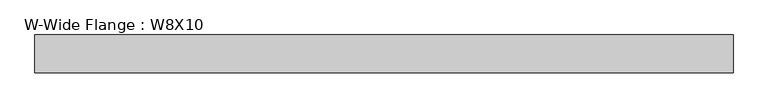
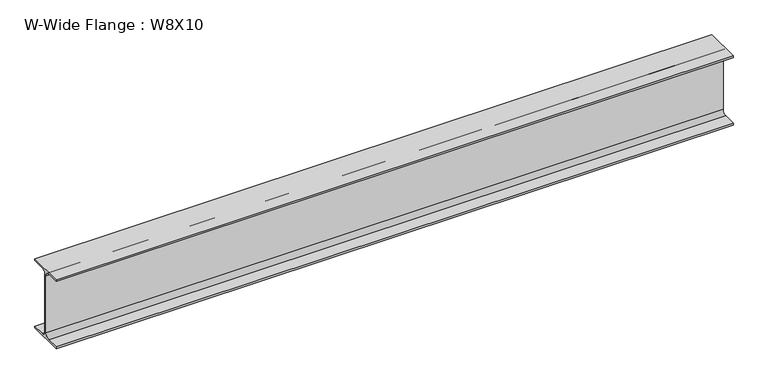
"""IFC4 building model written with IfcOpenShell, lengths in millimetres: beam geometry, W-Wide Flange : W8X10."""

import ifcopenshell
import ifcopenshell.guid

model = None  # the IFC model being written
_history = None  # IfcOwnerHistory: only IFC2X3 demands one
_inside = {}  # id of a spatial element -> (the spatial element, [elements in it])
_under = {}  # id of a project, library or spatial element -> (it, [spatial elements below it])
_declared = {}  # id of a project -> (the project, [libraries it declares])
_typed = {}  # id of a type object -> (the type object, [elements of that type])
_made_of = {}  # id of a material, layer set ... -> (it, [elements and type objects made of it])


def new_model(schema):
    """Start an empty IFC model of exactly this schema.

    Asked for "IFC4X3", IfcOpenShell would pick the latest addendum, in which some entities
    have other attributes; the version numbers below select the first issue.
    IFC2X3 requires an IfcOwnerHistory on every rooted entity: one is made here for all.
    """
    global model, _history
    if schema == "IFC4X3":
        model = ifcopenshell.file(schema_version=(4, 3, 0, 0))
    else:
        model = ifcopenshell.file(schema=schema)
    _inside.clear()
    _under.clear()
    _declared.clear()
    _typed.clear()
    _made_of.clear()
    _history = None
    if model.schema == "IFC2X3":
        org = make("IfcOrganization", Name="unknown")
        user = make(
            "IfcPersonAndOrganization",
            ThePerson=make("IfcPerson", FamilyName="unknown"),
            TheOrganization=org,
        )
        app = make(
            "IfcApplication",
            ApplicationDeveloper=org,
            Version="unknown",
            ApplicationFullName="unknown",
            ApplicationIdentifier="unknown",
        )
        _history = make(
            "IfcOwnerHistory",
            OwningUser=user,
            OwningApplication=app,
            ChangeAction="ADDED",
            CreationDate=0,
        )
    return model


def make(cls, **values):
    """One entity of the class cls with the attributes given. An attribute that is None is left unset."""
    return model.create_entity(
        cls, **{name: value for name, value in values.items() if value is not None}
    )


def rooted(cls, **values):
    """An entity with a GlobalId (a new one), such as an element, a storey or a relation."""
    return make(cls, GlobalId=ifcopenshell.guid.new(), OwnerHistory=_history, **values)


def si_unit(unit_type, name, prefix=None):
    """IfcSIUnit, for example si_unit("LENGTHUNIT", "METRE", prefix="MILLI")."""
    return make("IfcSIUnit", UnitType=unit_type, Prefix=prefix, Name=name)


def assignment(units):
    """IfcUnitAssignment: the units of a project."""
    return None if units is None else make("IfcUnitAssignment", Units=units)


def point(xyz):
    """IfcCartesianPoint."""
    return None if xyz is None else make("IfcCartesianPoint", Coordinates=xyz)


def direction(xyz):
    """IfcDirection."""
    return None if xyz is None else make("IfcDirection", DirectionRatios=xyz)


def frame(location, z_axis=None, x_axis=None):
    """IfcAxis2Placement3D, a coordinate frame: its origin and axes. An axis left out is left unset."""
    return make(
        "IfcAxis2Placement3D",
        Location=point(location),
        Axis=direction(z_axis),
        RefDirection=direction(x_axis),
    )


def frame_2d(location, x_axis=None):
    """IfcAxis2Placement2D, a coordinate frame in the plane: its origin and x axis."""
    return make(
        "IfcAxis2Placement2D", Location=point(location), RefDirection=direction(x_axis)
    )


def origin():
    """The frame at (0, 0, 0) with its axes left unset."""
    return frame((0.0, 0.0, 0.0))


def place(relative_to, where):
    """IfcLocalPlacement: puts the frame where relative to a parent placement (None: the world)."""
    return make(
        "IfcLocalPlacement", PlacementRelTo=relative_to, RelativePlacement=where
    )


def context(
    kind, dimensions, precision=None, world=None, true_north=None, identifier=None
):
    """IfcGeometricRepresentationContext, for example the 3D "Model" context."""
    return make(
        "IfcGeometricRepresentationContext",
        ContextIdentifier=identifier,
        ContextType=kind,
        CoordinateSpaceDimension=dimensions,
        Precision=precision,
        WorldCoordinateSystem=world,
        TrueNorth=true_north,
    )


def project(units=None, contexts=None):
    """IfcProject with its units and contexts."""
    return rooted(
        "IfcProject",
        Name="project",
        RepresentationContexts=contexts,
        UnitsInContext=assignment(units),
    )


def spatial(cls, under=None, at=None, **own):
    """A site, building, storey or space (cls), placed at a placement, below another one or the project."""
    s = rooted(cls, ObjectPlacement=at, **own)
    if under is not None:
        _under.setdefault(under.id(), (under, []))[1].append(s)
    return s


def polyline(points):
    """IfcPolyline through the points."""
    return make("IfcPolyline", Points=[point(p) for p in points])


def circle_curve(where, radius):
    """IfcCircle in the frame where."""
    return make("IfcCircle", Position=where, Radius=radius)


def trimmed(basis, trim1, trim2, sense, master):
    """IfcTrimmedCurve: the piece of a basis curve between two trims."""
    return make(
        "IfcTrimmedCurve",
        BasisCurve=basis,
        Trim1=trim1,
        Trim2=trim2,
        SenseAgreement=sense,
        MasterRepresentation=master,
    )


def segment(curve, same_sense, transition):
    """IfcCompositeCurveSegment."""
    return make(
        "IfcCompositeCurveSegment",
        Transition=transition,
        SameSense=same_sense,
        ParentCurve=curve,
    )


def composite_curve(segments, self_intersect=None):
    """IfcCompositeCurve: segments joined end to end."""
    return make("IfcCompositeCurve", Segments=segments, SelfIntersect=self_intersect)


def outline(outer, holes=None, kind="AREA"):
    """IfcArbitraryClosedProfileDef: a profile drawn as a closed curve; with holes, ...WithVoids."""
    if holes is None:
        return make("IfcArbitraryClosedProfileDef", ProfileType=kind, OuterCurve=outer)
    return make(
        "IfcArbitraryProfileDefWithVoids",
        ProfileType=kind,
        OuterCurve=outer,
        InnerCurves=holes,
    )


def extrude(swept, where, along, depth):
    """IfcExtrudedAreaSolid: the profile swept, set in the frame where, extruded along a direction by depth."""
    return make(
        "IfcExtrudedAreaSolid",
        SweptArea=swept,
        Position=where,
        ExtrudedDirection=direction(along),
        Depth=depth,
    )


def shape(context_of_items, identifier, shape_type, items):
    """IfcShapeRepresentation: the items that make up one representation, for example the "Body"."""
    return make(
        "IfcShapeRepresentation",
        ContextOfItems=context_of_items,
        RepresentationIdentifier=identifier,
        RepresentationType=shape_type,
        Items=items,
    )


def source(mapping_origin, context_of_items, identifier, shape_type, items):
    """IfcRepresentationMap: a shape defined once, which mapped items show again and again."""
    return make(
        "IfcRepresentationMap",
        MappingOrigin=mapping_origin,
        MappedRepresentation=shape(context_of_items, identifier, shape_type, items),
    )


def transform(
    local_origin,
    x_axis=None,
    y_axis=None,
    z_axis=None,
    scale=None,
    scale2=None,
    scale3=None,
    uniform=True,
):
    """IfcCartesianTransformationOperator3D, or its non-uniform kind. x_axis, y_axis, z_axis: its Axis1, 2, 3."""
    if uniform:
        return make(
            "IfcCartesianTransformationOperator3D",
            Axis1=direction(x_axis),
            Axis2=direction(y_axis),
            LocalOrigin=point(local_origin),
            Scale=scale,
            Axis3=direction(z_axis),
        )
    return make(
        "IfcCartesianTransformationOperator3DnonUniform",
        Axis1=direction(x_axis),
        Axis2=direction(y_axis),
        LocalOrigin=point(local_origin),
        Scale=scale,
        Axis3=direction(z_axis),
        Scale2=scale2,
        Scale3=scale3,
    )


def mapped(mapping_source, mapping_target):
    """IfcMappedItem: shows the shape of a source again, moved by a transform."""
    return make(
        "IfcMappedItem", MappingSource=mapping_source, MappingTarget=mapping_target
    )


def made_of(thing, what):
    """Note that an element or type object is made of a material, layer set ...; save() writes the relation."""
    if what is not None:
        _made_of.setdefault(what.id(), (what, []))[1].append(thing)
    return thing


def element(
    cls,
    number,
    at=None,
    inside=None,
    cuts=None,
    type_object=None,
    material=None,
    context=None,
    identifier="Body",
    shape_type=None,
    held_by="IfcProductDefinitionShape",
    body=None,
    shapes=None,
    **own,
):
    """One element of the class cls, such as IfcWall. Its Tag is "e" and its number.

    at: its placement. inside: the storey or other place that contains it. cuts: it is an
    opening in that element (IfcRelVoidsElement). A single representation is given by context,
    identifier, shape_type and body (its items); several are given by shapes. held_by: the class
    of the entity that holds the representations. save() writes the other relations.
    """
    e = rooted(cls, Tag="e%d" % number, ObjectPlacement=at, **own)
    if body is not None:
        shapes = [shape(context, identifier, shape_type, body)]
    if shapes is not None:
        e.Representation = make(held_by, Representations=shapes)
    if inside is not None:
        _inside.setdefault(inside.id(), (inside, []))[1].append(e)
    if cuts is not None:
        rooted(
            "IfcRelVoidsElement", RelatingBuildingElement=cuts, RelatedOpeningElement=e
        )
    if type_object is not None:
        _typed.setdefault(type_object.id(), (type_object, []))[1].append(e)
    return made_of(e, material)


def aggregate(whole, parts):
    """IfcRelAggregates: a whole, such as a stair, and the parts it consists of."""
    return rooted("IfcRelAggregates", RelatingObject=whole, RelatedObjects=parts)


def save(model, path):
    """Write the relations noted so far, then the file.

    IfcRelAggregates (storeys below a building ...), IfcRelContainedInSpatialStructure (elements
    in a storey), IfcRelDefinesByType, IfcRelAssociatesMaterial and IfcRelDeclares: one each for
    every whole, place, type object, material and project.
    """
    for whole, parts in _under.values():
        aggregate(whole, parts)
    for where, things in _inside.values():
        rooted(
            "IfcRelContainedInSpatialStructure",
            RelatedElements=things,
            RelatingStructure=where,
        )
    for kind, things in _typed.values():
        rooted("IfcRelDefinesByType", RelatedObjects=things, RelatingType=kind)
    for what, things in _made_of.values():
        rooted("IfcRelAssociatesMaterial", RelatedObjects=things, RelatingMaterial=what)
    for by, libraries in _declared.values():
        rooted("IfcRelDeclares", RelatingContext=by, RelatedDefinitions=libraries)
    model.write(path)


def w_wide_flange_w8x10_9607eb9c(model_context):
    return source(origin(), model_context, "Body", "SweptSolid", [
        extrude(outline(composite_curve([segment(polyline([(50.0558594, -95.0515625), (50.0558594, -100.2109375), (-50.0558594, -100.2109375), (-50.0558594, -95.0515625), (-14.4859375, -95.0515625)]), True, "CONTINUOUS"), segment(trimmed(circle_curve(frame_2d((-14.4859375, -82.7484375)), 12.303125), [point((-14.4859375, -95.0515625))], [point((-2.1828125, -82.7484375))], True, "CARTESIAN"), True, "CONTINUOUS"), segment(polyline([(-2.1828125, -82.7484375), (-2.1828125, 82.7484375)]), True, "CONTINUOUS"), segment(trimmed(circle_curve(frame_2d((-14.4859375, 82.7484375)), 12.303125), [point((-2.1828125, 82.7484375))], [point((-14.4859375, 95.0515625))], True, "CARTESIAN"), True, "CONTINUOUS"), segment(polyline([(-14.4859375, 95.0515625), (-50.0558594, 95.0515625), (-50.0558594, 100.2109375), (50.0558594, 100.2109375), (50.0558594, 95.0515625), (14.4859375, 95.0515625)]), True, "CONTINUOUS"), segment(trimmed(circle_curve(frame_2d((14.4859375, 82.7484375)), 12.303125), [point((14.4859375, 95.0515625))], [point((2.1828125, 82.7484375))], True, "CARTESIAN"), True, "CONTINUOUS"), segment(polyline([(2.1828125, 82.7484375), (2.1828125, -82.7484375)]), True, "CONTINUOUS"), segment(trimmed(circle_curve(frame_2d((14.4859375, -82.7484375)), 12.303125), [point((2.1828125, -82.7484375))], [point((14.4859375, -95.0515625))], True, "CARTESIAN"), True, "CONTINUOUS"), segment(polyline([(14.4859375, -95.0515625), (50.0558594, -95.0515625)]), True, "CONTINUOUS")], self_intersect=False)), frame((-927.5960937, 0.0, 0.0), z_axis=(1.0, 0.0, 0.0), x_axis=(0.0, 1.0, 0.0)), (0.0, 0.0, 1.0), 1855.1921875),
    ])


if __name__ == "__main__":
    model = new_model("IFC4")
    model_context = context("Model", 3, world=origin())
    ifc_project = project(units=[si_unit("LENGTHUNIT", "METRE", prefix="MILLI")], contexts=[model_context])
    site = spatial("IfcSite", under=ifc_project)
    building = spatial("IfcBuilding", under=site)
    placement = place(None, origin())
    w_wide_flange_w8x10_shape = w_wide_flange_w8x10_9607eb9c(model_context)
    element("IfcBeam", 1, ObjectType="W-Wide Flange : W8X10", at=placement, inside=building, context=model_context, shape_type="MappedRepresentation", body=[
        mapped(w_wide_flange_w8x10_shape, transform((0.0, 0.0, 0.0), x_axis=(1.0, 0.0, 0.0), y_axis=(0.0, 1.0, 0.0), z_axis=(0.0, 0.0, 1.0))),
    ])
    save(model, "model.ifc")
